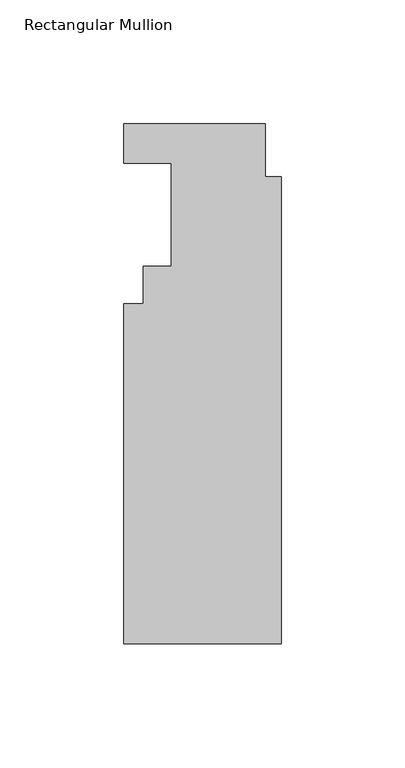
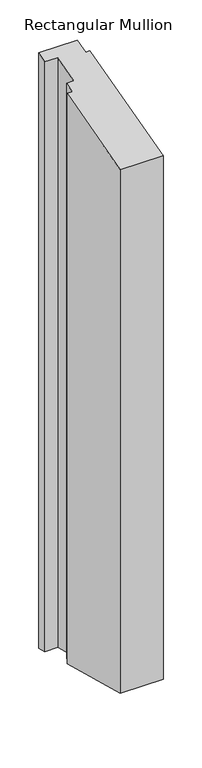
"""IFC4 building model written with IfcOpenShell, lengths in millimetres: member geometry, Rectangular Mullion."""

from ifc_helpers import new_model, si_unit, origin, place, context, project, spatial, faceted_brep, source, transform, mapped, element, save


def rectangular_mullion_af665880(model_context):
    return source(origin(), model_context, "Body", "Brep", [
        faceted_brep([(0.0, -0.5643562, -0.1512188), (0.0, -189.2101563, -50.6987086), (0.0, -189.2101563, -873.7409251), (0.0, -0.5643562, -924.2884148), (-63.5, 20.7208438, 5.5521333), (-6.35, 20.7208438, 5.5521333), (-6.35, 20.7208438, -929.991767), (-63.5, 20.7208438, -929.991767), (-63.5, 4.8458438, 1.2984399), (-63.5, 4.8458438, -925.7380736), (-44.45, 4.8458438, 1.2984399), (-44.45, 4.8458438, -925.7380736), (-44.45, -36.8101563, -9.8632516), (-44.45, -36.8101563, -914.576382), (-55.5752, -36.8101563, -9.8632516), (-55.5752, -36.8101563, -914.576382), (-55.5752, -51.8723562, -13.899156), (-55.5752, -51.8723562, -910.5404777), (-63.5, -51.8723562, -13.899156), (-63.5, -51.8723562, -910.5404777), (-63.5, -189.2101563, -50.6987086), (-63.5, -189.2101563, -873.7409251), (-6.35, -0.5643562, -0.1512188), (-6.35, -0.5643562, -924.2884148)], [[[0, 1, 2, 3]], [[4, 5, 6, 7]], [[8, 4, 7, 9]], [[10, 8, 9, 11]], [[12, 10, 11, 13]], [[14, 12, 13, 15]], [[16, 14, 15, 17]], [[18, 16, 17, 19]], [[20, 18, 19, 21]], [[1, 20, 21, 2]], [[22, 0, 3, 23]], [[5, 22, 23, 6]], [[4, 8, 10, 12, 14, 16, 18, 20, 1, 0, 22, 5]], [[7, 6, 23, 3, 2, 21, 19, 17, 15, 13, 11, 9]]]),
    ])


if __name__ == "__main__":
    model = new_model("IFC4")
    model_context = context("Model", 3, world=origin())
    ifc_project = project(units=[si_unit("LENGTHUNIT", "METRE", prefix="MILLI")], contexts=[model_context])
    site = spatial("IfcSite", under=ifc_project)
    building = spatial("IfcBuilding", under=site)
    placement = place(None, origin())
    rectangular_mullion_shape = rectangular_mullion_af665880(model_context)
    element("IfcMember", 1, ObjectType="Rectangular Mullion", at=placement, inside=building, context=model_context, shape_type="MappedRepresentation", body=[
        mapped(rectangular_mullion_shape, transform((0.0, 0.0, 0.0), x_axis=(1.0, 0.0, 0.0), y_axis=(0.0, 1.0, 0.0), z_axis=(0.0, 0.0, 1.0))),
    ])
    save(model, "model.ifc")
